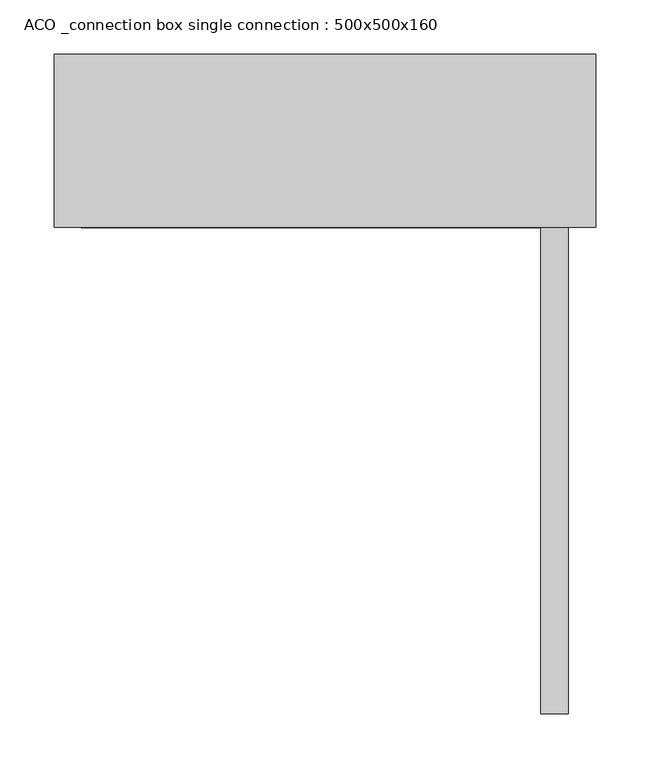
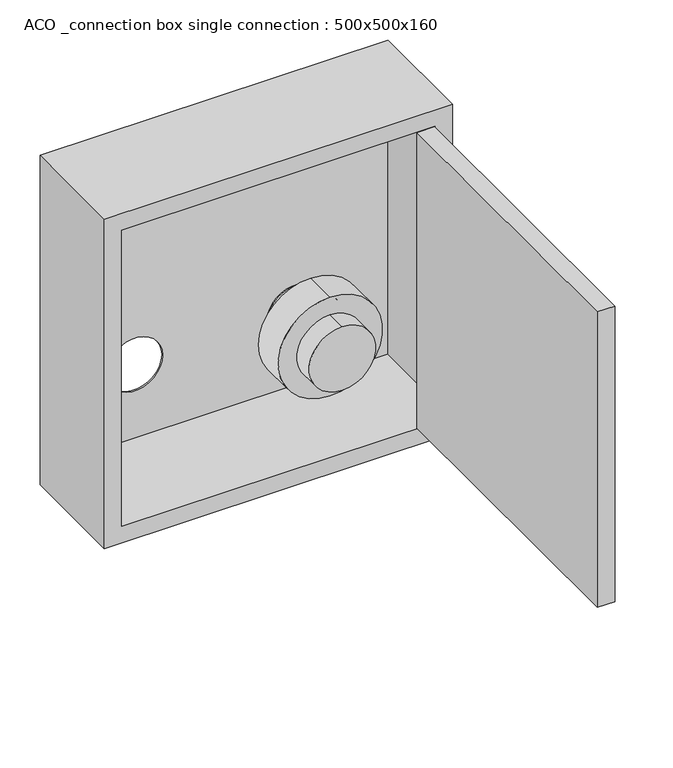
"""IFC4 building model written with IfcOpenShell, lengths in millimetres: furniture geometry, ACO _connection box single connection : 500x500x160."""

from ifc_helpers import new_model, si_unit, point, frame, frame_2d, origin, place, context, project, spatial, polyline, circle_curve, trimmed, segment, composite_curve, outline, extrude, source, transform, mapped, element, save
from ifc_brep_helpers import plane_surface, cylinder_surface, revolved_surface, advanced_brep


def aco_connection_box_single_connection_500x500x160_e2bdd59b(model_context):
    return source(origin(), model_context, "Body", "SolidModel", [
        extrude(outline(composite_curve([segment(trimmed(circle_curve(frame_2d((136.5, 115.0)), 25.0), [point((111.5, 115.0))], [point((161.5, 115.0))], False, "CARTESIAN"), True, "CONTINUOUS"), segment(trimmed(circle_curve(frame_2d((136.5, 115.0)), 25.0), [point((161.5, 115.0))], [point((111.5, 115.0))], False, "CARTESIAN"), True, "CONTINUOUS")], self_intersect=False)), frame((0.0, 148.0, 0.0), z_axis=(0.0, 1.0, 0.0), x_axis=(0.0, 0.0, 1.0)), (0.0, 0.0, 1.0), 12.0),
        advanced_brep(
        [(115.0, 148.0, 88.5), (115.0, 148.0, 184.5), (115.0, 40.0, 88.5), (115.0, 40.0, 184.5), (115.0, 118.0, 184.5), (115.0, 118.0, 88.5), (115.0, 70.0, 88.5), (115.0, 70.0, 184.5), (115.0, 118.0, 61.5), (115.0, 118.0, 211.5), (115.0, 70.0, 61.5), (115.0, 70.0, 211.5)],
        [
            (0, 1, circle_curve(frame((115.0, 148.0, 136.5), z_axis=(0.0, 1.0, 0.0), x_axis=(0.0, 0.0, 1.0)), 48.0)),
            (1, 0, circle_curve(frame((115.0, 148.0, 136.5), z_axis=(0.0, 1.0, 0.0), x_axis=(0.0, 0.0, 1.0)), 48.0)),
            (2, 3, circle_curve(frame((115.0, 40.0, 136.5), z_axis=(0.0, -1.0, 0.0), x_axis=(0.0, 0.0, 1.0)), 48.0)),
            (3, 2, circle_curve(frame((115.0, 40.0, 136.5), z_axis=(0.0, -1.0, 0.0), x_axis=(0.0, 0.0, 1.0)), 48.0)),
            (1, 4),
            (4, 5, circle_curve(frame((115.0, 118.0, 136.5), z_axis=(0.0, 1.0, 0.0), x_axis=(0.0, 0.0, 1.0)), 48.0)),
            (5, 0),
            (2, 6),
            (6, 7, circle_curve(frame((115.0, 70.0, 136.5), z_axis=(0.0, -1.0, 0.0), x_axis=(0.0, 0.0, 1.0)), 48.0)),
            (7, 3),
            (5, 4, circle_curve(frame((115.0, 118.0, 136.5), z_axis=(0.0, 1.0, 0.0), x_axis=(0.0, 0.0, 1.0)), 48.0)),
            (7, 6, circle_curve(frame((115.0, 70.0, 136.5), z_axis=(0.0, -1.0, 0.0), x_axis=(0.0, 0.0, 1.0)), 48.0)),
            (8, 9, circle_curve(frame((115.0, 118.0, 136.5), z_axis=(0.0, 1.0, 0.0), x_axis=(0.0, 0.0, 1.0)), 75.0)),
            (9, 8, circle_curve(frame((115.0, 118.0, 136.5), z_axis=(0.0, 1.0, 0.0), x_axis=(0.0, 0.0, 1.0)), 75.0)),
            (10, 11, circle_curve(frame((115.0, 70.0, 136.5), z_axis=(0.0, -1.0, 0.0), x_axis=(0.0, 0.0, 1.0)), 75.0)),
            (11, 10, circle_curve(frame((115.0, 70.0, 136.5), z_axis=(0.0, -1.0, 0.0), x_axis=(0.0, 0.0, 1.0)), 75.0)),
            (9, 11),
            (10, 8),
        ],
        [
            plane_surface(frame((115.0, 148.0, 184.5), z_axis=(0.0, 1.0, 0.0), x_axis=(1.0, 0.0, 0.0))),
            plane_surface(frame((115.0, 40.0, 184.5), z_axis=(0.0, -1.0, 0.0), x_axis=(-1.0, 0.0, 0.0))),
            cylinder_surface(frame((115.0, 148.0, 136.5), z_axis=(0.0, -1.0, 0.0), x_axis=(0.0, 0.0, 1.0)), 48.0),
            plane_surface(frame((115.0, 118.0, 211.5), z_axis=(0.0, 1.0, 0.0), x_axis=(1.0, 0.0, 0.0))),
            plane_surface(frame((115.0, 70.0, 211.5), z_axis=(0.0, -1.0, 0.0), x_axis=(-1.0, 0.0, 0.0))),
            cylinder_surface(frame((115.0, 118.0, 136.5), z_axis=(0.0, -1.0, 0.0), x_axis=(0.0, 0.0, 1.0)), 75.0),
        ],
        [
            (0, [[1, 2]]),
            (1, [[3, 4]]),
            (2, [[-2, 5, 6, 7]]),
            (2, [[-3, 8, 9, 10]]),
            (2, [[-1, -7, 11, -5]]),
            (2, [[-4, -10, 12, -8]]),
            (3, [[13, 14], [-6, -11]]),
            (4, [[15, 16], [-9, -12]]),
            (5, [[-14, 17, -15, 18]]),
            (5, [[-13, -18, -16, -17]]),
        ],
    ),
        extrude(outline(polyline([(199.5, -449.0), (199.5, 0.0), (224.5, 0.0), (224.5, -449.0), (199.5, -449.0)])), frame((0.0, 0.0, 25.5), z_axis=(0.0, 0.0, 1.0), x_axis=(1.0, 0.0, 0.0)), (0.0, 0.0, 1.0), 449.0),
        advanced_brep(
        [(250.0, 160.0, 500.0), (-250.0, 160.0, 500.0), (-250.0, 0.0, 500.0), (250.0, 0.0, 500.0), (250.0, 160.0, 0.0), (250.0, 0.0, 0.0), (-250.0, 0.0, 0.0), (-250.0, 160.0, 0.0), (-155.0, 160.0, 136.5), (-75.0, 160.0, 136.5), (75.0, 160.0, 136.5), (155.0, 160.0, 136.5), (-225.0, 0.0, 475.0), (225.0, 0.0, 475.0), (225.0, 0.0, 25.0), (-225.0, 0.0, 25.0), (248.0, 158.0, 475.0), (248.0, 2.0, 475.0), (225.0, 2.0, 475.0), (-225.0, 2.0, 475.0), (-248.0, 2.0, 475.0), (-248.0, 158.0, 475.0), (248.0, 158.0, 25.0), (-248.0, 158.0, 25.0), (-248.0, 2.0, 25.0), (-225.0, 2.0, 25.0), (225.0, 2.0, 25.0), (248.0, 2.0, 25.0), (-75.0, 158.0, 136.5), (-155.0, 158.0, 136.5), (155.0, 158.0, 136.5), (75.0, 158.0, 136.5)],
        [
            (0, 1),
            (1, 2),
            (2, 3),
            (3, 0),
            (4, 5),
            (5, 6),
            (6, 7),
            (7, 4),
            (0, 4),
            (7, 1),
            (8, 9, circle_curve(frame((-115.0, 160.0, 136.5), z_axis=(0.0, -1.0, 0.0), x_axis=(1.0, 0.0, 0.0)), 40.0)),
            (9, 8, circle_curve(frame((-115.0, 160.0, 136.5), z_axis=(0.0, -1.0, 0.0), x_axis=(1.0, 0.0, 0.0)), 40.0)),
            (10, 11, circle_curve(frame((115.0, 160.0, 136.5), z_axis=(0.0, -1.0, 0.0), x_axis=(1.0, 0.0, 0.0)), 40.0)),
            (11, 10, circle_curve(frame((115.0, 160.0, 136.5), z_axis=(0.0, -1.0, 0.0), x_axis=(1.0, 0.0, 0.0)), 40.0)),
            (6, 2),
            (5, 3),
            (12, 13),
            (13, 14),
            (14, 15),
            (15, 12),
            (16, 17),
            (17, 18),
            (18, 13),
            (12, 19),
            (19, 20),
            (20, 21),
            (21, 16),
            (22, 23),
            (23, 24),
            (24, 25),
            (25, 15),
            (14, 26),
            (26, 27),
            (27, 22),
            (21, 23),
            (22, 16),
            (28, 29, circle_curve(frame((-115.0, 158.0, 136.5), z_axis=(0.0, 1.0, 0.0), x_axis=(1.0, 0.0, 0.0)), 40.0)),
            (29, 28, circle_curve(frame((-115.0, 158.0, 136.5), z_axis=(0.0, 1.0, 0.0), x_axis=(1.0, 0.0, 0.0)), 40.0)),
            (30, 31, circle_curve(frame((115.0, 158.0, 136.5), z_axis=(0.0, 1.0, 0.0), x_axis=(1.0, 0.0, 0.0)), 40.0)),
            (31, 30, circle_curve(frame((115.0, 158.0, 136.5), z_axis=(0.0, 1.0, 0.0), x_axis=(1.0, 0.0, 0.0)), 40.0)),
            (27, 17),
            (20, 24),
            (19, 25),
            (18, 26),
            (28, 9),
            (8, 29),
            (30, 11),
            (10, 31),
        ],
        [
            plane_surface(frame((-250.0, 160.0, 500.0), z_axis=(0.0, 0.0, 1.0), x_axis=(-1.0, 0.0, 0.0))),
            plane_surface(frame((-250.0, 160.0, 0.0), z_axis=(0.0, 0.0, -1.0), x_axis=(1.0, 0.0, 0.0))),
            plane_surface(frame((250.0, 160.0, 500.0), z_axis=(0.0, 1.0, 0.0), x_axis=(0.0, 0.0, -1.0))),
            plane_surface(frame((-250.0, 160.0, 500.0), z_axis=(-1.0, 0.0, 0.0), x_axis=(0.0, 0.0, -1.0))),
            plane_surface(frame((-250.0, 0.0, 500.0), z_axis=(0.0, -1.0, 0.0), x_axis=(0.0, 0.0, -1.0))),
            plane_surface(frame((250.0, 0.0, 500.0), z_axis=(1.0, 0.0, 0.0), x_axis=(0.0, 0.0, -1.0))),
            plane_surface(frame((-248.0, 158.0, 475.0), z_axis=(0.0, 0.0, -1.0), x_axis=(-1.0, 0.0, 0.0))),
            plane_surface(frame((-248.0, 158.0, 25.0), z_axis=(0.0, 0.0, 1.0), x_axis=(1.0, 0.0, 0.0))),
            plane_surface(frame((248.0, 158.0, 475.0), z_axis=(0.0, -1.0, 0.0), x_axis=(0.0, 0.0, -1.0))),
            plane_surface(frame((248.0, 2.0, 475.0), z_axis=(-1.0, 0.0, 0.0), x_axis=(0.0, 0.0, -1.0))),
            plane_surface(frame((-248.0, 158.0, 475.0), z_axis=(1.0, 0.0, 0.0), x_axis=(0.0, 0.0, -1.0))),
            plane_surface(frame((-248.0, 2.0, 475.0), z_axis=(0.0, 1.0, 0.0), x_axis=(0.0, 0.0, -1.0))),
            plane_surface(frame((-225.0, 2.0, 475.0), z_axis=(1.0, 0.0, 0.0), x_axis=(0.0, 0.0, -1.0))),
            plane_surface(frame((225.0, 0.0, 475.0), z_axis=(-1.0, 0.0, 0.0), x_axis=(0.0, 0.0, -1.0))),
            plane_surface(frame((225.0, 2.0, 475.0), z_axis=(0.0, 1.0, 0.0), x_axis=(0.0, 0.0, -1.0))),
            revolved_surface(polyline([(-75.0, 158.0, 136.5), (-75.0, 160.0, 136.5)]), (-115.0, 160.0, 136.5), (0.0, -1.0, 0.0)),
            revolved_surface(polyline([(155.0, 158.0, 136.5), (155.0, 160.0, 136.5)]), (115.0, 160.0, 136.5), (0.0, -1.0, 0.0)),
        ],
        [
            (0, [[1, 2, 3, 4]]),
            (1, [[5, 6, 7, 8]]),
            (2, [[-1, 9, -8, 10], [11, 12], [13, 14]]),
            (3, [[-2, -10, -7, 15]]),
            (4, [[-3, -15, -6, 16], [17, 18, 19, 20]]),
            (5, [[-4, -16, -5, -9]]),
            (6, [[21, 22, 23, -17, 24, 25, 26, 27]]),
            (7, [[28, 29, 30, 31, -19, 32, 33, 34]]),
            (8, [[-27, 35, -28, 36], [37, 38], [39, 40]]),
            (9, [[-21, -36, -34, 41]]),
            (10, [[-26, 42, -29, -35]]),
            (11, [[-25, 43, -30, -42]]),
            (12, [[-24, -20, -31, -43]]),
            (13, [[-23, 44, -32, -18]]),
            (14, [[-22, -41, -33, -44]]),
            (15, [[45, -11, 46, -37]]),
            (15, [[-45, -38, -46, -12]]),
            (16, [[47, -13, 48, -39]]),
            (16, [[-47, -40, -48, -14]]),
        ],
    ),
    ])


if __name__ == "__main__":
    model = new_model("IFC4")
    model_context = context("Model", 3, world=origin())
    ifc_project = project(units=[si_unit("LENGTHUNIT", "METRE", prefix="MILLI")], contexts=[model_context])
    site = spatial("IfcSite", under=ifc_project)
    building = spatial("IfcBuilding", under=site)
    placement = place(None, origin())
    aco_connection_box_single_connection_500x500x160_shape = aco_connection_box_single_connection_500x500x160_e2bdd59b(model_context)
    element("IfcFurniture", 1, ObjectType="ACO _connection box single connection : 500x500x160", at=placement, inside=building, context=model_context, shape_type="MappedRepresentation", body=[
        mapped(aco_connection_box_single_connection_500x500x160_shape, transform((0.0, 0.0, 0.0), x_axis=(1.0, 0.0, 0.0), y_axis=(0.0, 1.0, 0.0), z_axis=(0.0, 0.0, 1.0))),
    ])
    save(model, "model.ifc")
